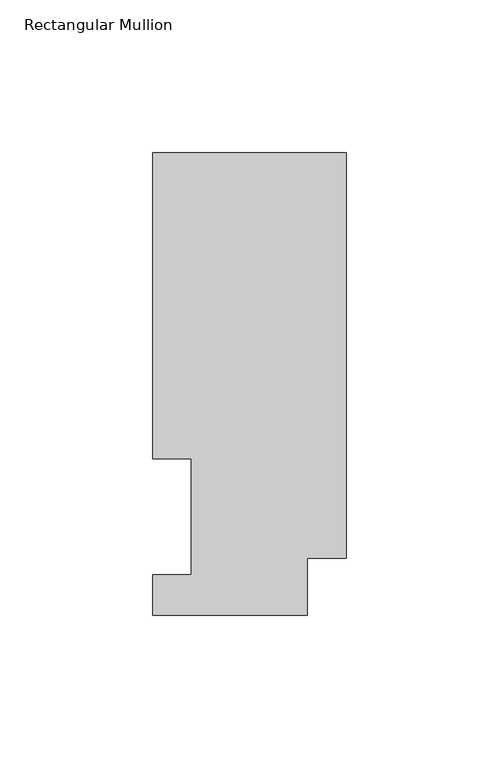
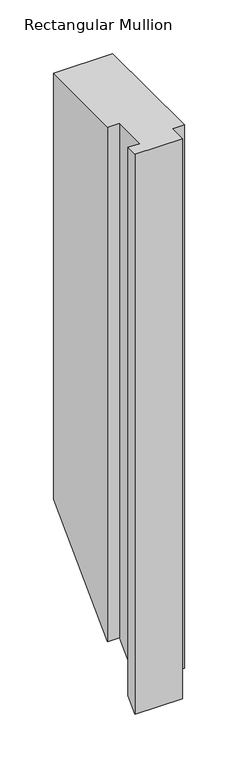
"""IFC4 building model written with IfcOpenShell, lengths in millimetres: member geometry, Rectangular Mullion."""

from ifc_helpers import new_model, si_unit, origin, place, context, project, spatial, faceted_brep, source, transform, mapped, element, save


def rectangular_mullion_b5e1b8bc(model_context):
    return source(origin(), model_context, "Body", "Brep", [
        faceted_brep([(-63.5, 151.7022937, 0.0), (-63.5, 51.2960937, 0.0), (-50.8, 51.2960938, 0.0), (-50.8, 13.1960938, 0.0), (-63.5, 13.1960938, 0.0), (-63.5, 0.0134937, 0.0), (-12.7, 0.0134937, 0.0), (-12.7, 18.7332937, 0.0), (0.0, 18.7332937, 0.0), (0.0, 151.7022937, 0.0), (-63.5, 151.7022937, -483.2977063), (-63.5, 51.2960937, -583.7039062), (-50.8, 51.2960937, -583.7039062), (-50.8, 13.1960938, -621.8039062), (-63.5, 13.1960938, -621.8039062), (-63.5, 0.0134937, -634.9865063), (-12.7, 0.0134937, -634.9865063), (-12.7, 18.7332937, -616.2667062), (0.0, 18.7332937, -616.2667062), (0.0, 151.7022937, -483.2977063)], [[[0, 1, 2, 3, 4, 5, 6, 7, 8, 9]], [[1, 0, 10, 11]], [[2, 1, 11, 12]], [[3, 2, 12, 13]], [[4, 3, 13, 14]], [[5, 4, 14, 15]], [[6, 5, 15, 16]], [[7, 6, 16, 17]], [[8, 7, 17, 18]], [[9, 8, 18, 19]], [[0, 9, 19, 10]], [[10, 19, 18, 17, 16, 15, 14, 13, 12, 11]]]),
    ])


if __name__ == "__main__":
    model = new_model("IFC4")
    model_context = context("Model", 3, world=origin())
    ifc_project = project(units=[si_unit("LENGTHUNIT", "METRE", prefix="MILLI")], contexts=[model_context])
    site = spatial("IfcSite", under=ifc_project)
    building = spatial("IfcBuilding", under=site)
    placement = place(None, origin())
    rectangular_mullion_shape = rectangular_mullion_b5e1b8bc(model_context)
    element("IfcMember", 1, ObjectType="Rectangular Mullion", at=placement, inside=building, context=model_context, shape_type="MappedRepresentation", body=[
        mapped(rectangular_mullion_shape, transform((0.0, 0.0, 0.0), x_axis=(1.0, 0.0, 0.0), y_axis=(0.0, 1.0, 0.0), z_axis=(0.0, 0.0, 1.0))),
    ])
    save(model, "model.ifc")
